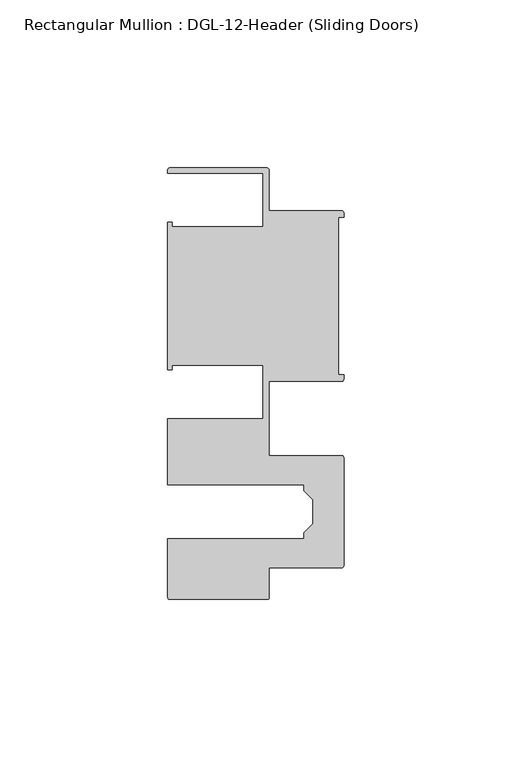
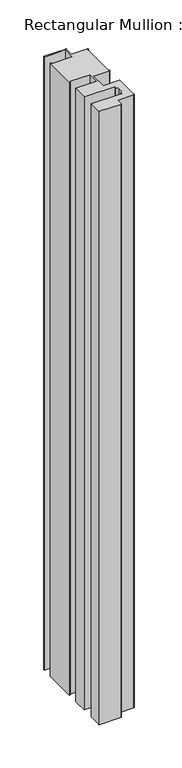
"""IFC4 building model written with IfcOpenShell, lengths in millimetres: member geometry, Rectangular Mullion : DGL-12-Header (Sliding Doors)."""

from ifc_helpers import new_model, si_unit, point, frame, frame_2d, origin, place, context, project, spatial, polyline, circle_curve, trimmed, segment, composite_curve, outline, extrude, source, transform, mapped, element, save


def rectangular_mullion_dgl_12_header_sliding_doors_128dddbe(model_context):
    return source(origin(), model_context, "Body", "SweptSolid", [
        extrude(outline(composite_curve([segment(trimmed(circle_curve(frame_2d((-0.5953125, 24.8046875)), 0.5953125), [point((-0.5953125, 25.4))], [point((0.0, 24.8046875))], False, "CARTESIAN"), True, "CONTINUOUS"), segment(polyline([(0.0, 24.8046875), (0.0, 23.488176), (-1.5001875, 23.488176), (-1.5001875, -23.488176), (0.0, -23.488176), (0.0, -24.8046875)]), True, "CONTINUOUS"), segment(trimmed(circle_curve(frame_2d((-0.5953125, -24.8046875)), 0.5953125), [point((0.0, -24.8046875))], [point((-0.5953125, -25.4))], False, "CARTESIAN"), True, "CONTINUOUS"), segment(polyline([(-0.5953125, -25.4), (-22.2332898, -25.4), (-22.2332898, -47.513352), (-0.60357, -47.513352)]), True, "CONTINUOUS"), segment(trimmed(circle_curve(frame_2d((-0.60357, -48.1086645)), 0.5953125), [point((-0.60357, -47.513352))], [point((-0.0082575, -48.1086645))], False, "CARTESIAN"), True, "CONTINUOUS"), segment(polyline([(-0.0082575, -48.1086645), (-0.0082575, -80.2801715)]), True, "CONTINUOUS"), segment(trimmed(circle_curve(frame_2d((-0.60357, -80.2801715)), 0.5953125), [point((-0.0082575, -80.2801715))], [point((-0.60357, -80.875484))], False, "CARTESIAN"), True, "CONTINUOUS"), segment(polyline([(-0.60357, -80.875484), (-22.2032575, -80.875484), (-22.2032575, -89.7299227)]), True, "CONTINUOUS"), segment(trimmed(circle_curve(frame_2d((-22.79857, -89.7299227)), 0.5953125), [point((-22.2032575, -89.7299227))], [point((-22.79857, -90.3252352))], False, "CARTESIAN"), True, "CONTINUOUS"), segment(polyline([(-22.79857, -90.3252352), (-51.7968699, -90.3252352)]), True, "CONTINUOUS"), segment(trimmed(circle_curve(frame_2d((-51.7968699, -89.7299227)), 0.5953125), [point((-51.7968699, -90.3252352))], [point((-52.3921824, -89.7299227))], False, "CARTESIAN"), True, "CONTINUOUS"), segment(polyline([(-52.3921824, -89.7299227), (-52.3921824, -72.175484), (-11.8582575, -72.175484), (-11.8582575, -70.4941892), (-9.1582575, -67.7941892), (-9.1582575, -60.5946468), (-11.8582575, -57.8946468), (-11.8582575, -56.213352), (-52.3921824, -56.213352), (-52.3921824, -36.512516), (-24.0747898, -36.512516), (-24.0747898, -20.5916734), (-51.1362531, -20.5916734), (-51.1362531, -21.9710976), (-52.3921824, -21.9710976), (-52.3921824, 21.9710976), (-51.1362531, 21.9710976), (-51.1362531, 20.5916734), (-24.0747898, 20.5916734), (-24.0747898, 36.512516), (-52.3921824, 36.512516), (-52.3921824, 37.5043667)]), True, "CONTINUOUS"), segment(trimmed(circle_curve(frame_2d((-51.7968699, 37.5043667)), 0.5953125), [point((-52.3921824, 37.5043667))], [point((-51.7968699, 38.0996792))], False, "CARTESIAN"), True, "CONTINUOUS"), segment(polyline([(-51.7968699, 38.0996792), (-22.8286023, 38.0996792)]), True, "CONTINUOUS"), segment(trimmed(circle_curve(frame_2d((-22.8286023, 37.5043667)), 0.5953125), [point((-22.8286023, 38.0996792))], [point((-22.2332898, 37.5043667))], False, "CARTESIAN"), True, "CONTINUOUS"), segment(polyline([(-22.2332898, 37.5043667), (-22.2332898, 25.4), (-0.5953125, 25.4)]), True, "CONTINUOUS")], self_intersect=False)), frame((0.0, 0.0, -863.6), z_axis=(0.0, 0.0, 1.0), x_axis=(1.0, 0.0, 0.0)), (0.0, 0.0, 1.0), 863.6),
    ])


if __name__ == "__main__":
    model = new_model("IFC4")
    model_context = context("Model", 3, world=origin())
    ifc_project = project(units=[si_unit("LENGTHUNIT", "METRE", prefix="MILLI")], contexts=[model_context])
    site = spatial("IfcSite", under=ifc_project)
    building = spatial("IfcBuilding", under=site)
    placement = place(None, origin())
    rectangular_mullion_dgl_12_header_sliding_doors_shape = rectangular_mullion_dgl_12_header_sliding_doors_128dddbe(model_context)
    element("IfcMember", 1, ObjectType="Rectangular Mullion : DGL-12-Header (Sliding Doors)", at=placement, inside=building, context=model_context, shape_type="MappedRepresentation", body=[
        mapped(rectangular_mullion_dgl_12_header_sliding_doors_shape, transform((0.0, 0.0, 0.0), x_axis=(1.0, 0.0, 0.0), y_axis=(0.0, 1.0, 0.0), z_axis=(0.0, 0.0, 1.0))),
    ])
    save(model, "model.ifc")
